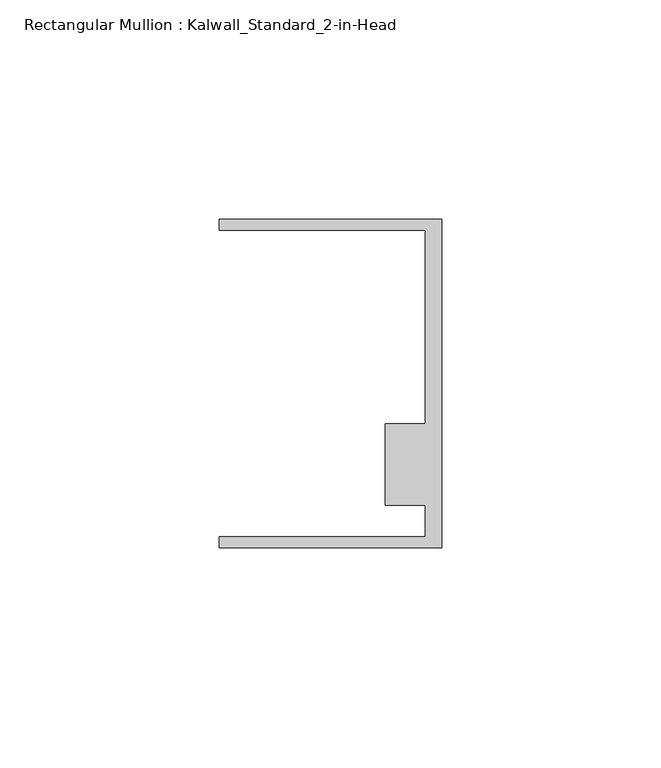
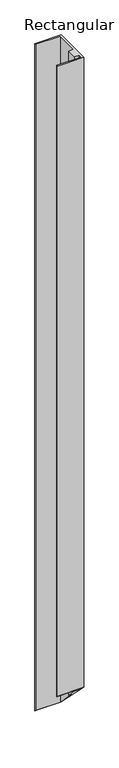
"""IFC4 building model written with IfcOpenShell, lengths in millimetres: member geometry, Rectangular Mullion : Kalwall_Standard_2-in-Head."""

from ifc_helpers import new_model, si_unit, origin, place, context, project, spatial, faceted_brep, source, transform, mapped, element, save


def rectangular_mullion_kalwall_standard_2_in_head_3350ba53(model_context):
    return source(origin(), model_context, "Body", "Brep", [
        faceted_brep([(0.0, -37.5776386, 0.0), (0.0, 37.5023614, 0.0), (-50.8, 37.5023614, 0.0), (-50.8, 34.9623614, 0.0), (-3.7084, 34.9623614, 0.0), (-3.7084, -9.1879886, 0.0), (-12.8272539, -9.1879886, 0.0), (-12.8272539, -27.8888568, 0.0), (-3.7084, -27.8888568, 0.0), (-3.7084, -35.0376386, 0.0), (-50.8, -35.0376386, 0.0), (-50.8, -37.5776386, 0.0), (0.0, -37.5776386, -1278.6791617), (0.0, 37.5023614, -1353.7591617), (-50.8, 37.5023614, -1353.7591617), (-50.8, 34.9623614, -1351.2191617), (-3.7084, 34.9623614, -1351.2191617), (-3.7084, -9.1879886, -1307.0688117), (-12.8272539, -9.1879886, -1307.0688117), (-12.8272539, -27.8888568, -1288.3679435), (-3.7084, -27.8888568, -1288.3679435), (-3.7084, -35.0376386, -1281.2191617), (-50.8, -35.0376386, -1281.2191617), (-50.8, -37.5776386, -1278.6791617)], [[[0, 1, 2, 3, 4, 5, 6, 7, 8, 9, 10, 11]], [[1, 0, 12, 13]], [[2, 1, 13, 14]], [[3, 2, 14, 15]], [[4, 3, 15, 16]], [[5, 4, 16, 17]], [[6, 5, 17, 18]], [[7, 6, 18, 19]], [[8, 7, 19, 20]], [[9, 8, 20, 21]], [[10, 9, 21, 22]], [[11, 10, 22, 23]], [[0, 11, 23, 12]], [[12, 23, 22, 21, 20, 19, 18, 17, 16, 15, 14, 13]]]),
    ])


if __name__ == "__main__":
    model = new_model("IFC4")
    model_context = context("Model", 3, world=origin())
    ifc_project = project(units=[si_unit("LENGTHUNIT", "METRE", prefix="MILLI")], contexts=[model_context])
    site = spatial("IfcSite", under=ifc_project)
    building = spatial("IfcBuilding", under=site)
    placement = place(None, origin())
    rectangular_mullion_kalwall_standard_2_in_head_shape = rectangular_mullion_kalwall_standard_2_in_head_3350ba53(model_context)
    element("IfcMember", 1, ObjectType="Rectangular Mullion : Kalwall_Standard_2-in-Head", at=placement, inside=building, context=model_context, shape_type="MappedRepresentation", body=[
        mapped(rectangular_mullion_kalwall_standard_2_in_head_shape, transform((0.0, 0.0, 0.0), x_axis=(1.0, 0.0, 0.0), y_axis=(0.0, 1.0, 0.0), z_axis=(0.0, 0.0, 1.0))),
    ])
    save(model, "model.ifc")
